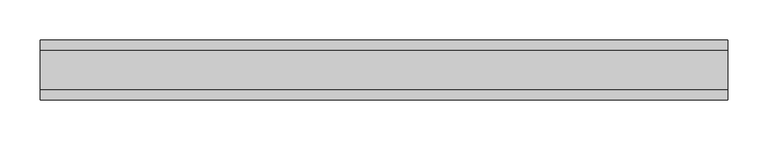
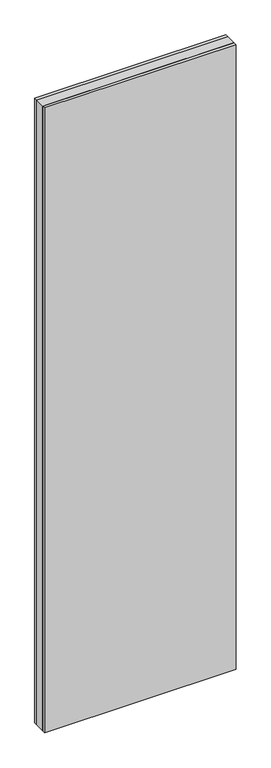
"""IFC4 building model written with IfcOpenShell, lengths in millimetres: plate geometry."""

from ifc_helpers import new_model, si_unit, origin, origin_with_axes, place, context, project, spatial, polyline, outline, extrude, source, transform, mapped, element, save


def plate_4e47b8cf(model_context):
    return source(origin(), model_context, "Body", "SweptSolid", [
        extrude(outline(polyline([(425.3847577, 24.2), (425.3847577, -24.2), (-425.3847577, -24.2), (-425.3847577, 24.2), (425.3847577, 24.2)])), origin_with_axes(), (0.0, 0.0, 1.0), 2936.0),
        extrude(outline(polyline([(425.3847577, 37.2), (425.3847577, 24.2), (-425.3847577, 24.2), (-425.3847577, 37.2), (425.3847577, 37.2)])), origin_with_axes(), (0.0, 0.0, 1.0), 2936.0),
        extrude(outline(polyline([(-425.3847577, -37.2), (-425.3847577, -24.2), (425.3847577, -24.2), (425.3847577, -37.2), (-425.3847577, -37.2)])), origin_with_axes(), (0.0, 0.0, 1.0), 2936.0),
    ])


if __name__ == "__main__":
    model = new_model("IFC4")
    model_context = context("Model", 3, world=origin())
    ifc_project = project(units=[si_unit("LENGTHUNIT", "METRE", prefix="MILLI")], contexts=[model_context])
    site = spatial("IfcSite", under=ifc_project)
    building = spatial("IfcBuilding", under=site)
    placement = place(None, origin())
    plate_shape = plate_4e47b8cf(model_context)
    element("IfcPlate", 1, at=placement, inside=building, context=model_context, shape_type="MappedRepresentation", body=[
        mapped(plate_shape, transform((0.0, 0.0, 0.0), x_axis=(1.0, 0.0, 0.0), y_axis=(0.0, 1.0, 0.0), z_axis=(0.0, 0.0, 1.0))),
    ])
    save(model, "model.ifc")
